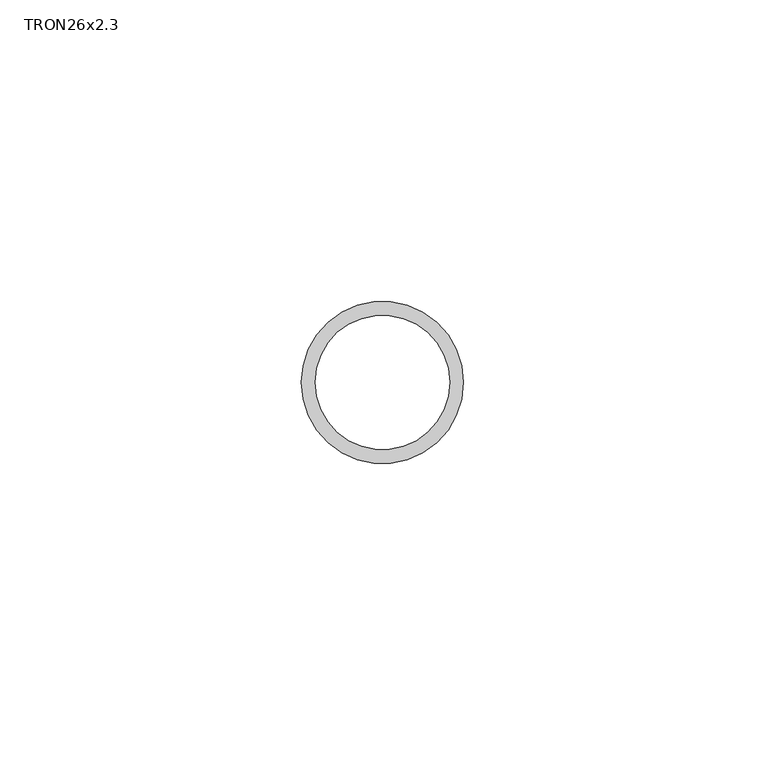
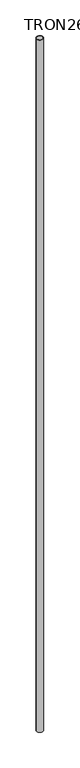
"""IFC4 building model written with IfcOpenShell, lengths in millimetres: column geometry, TRON26x2.3."""

import ifcopenshell
import ifcopenshell.guid

model = None  # the IFC model being written
_history = None  # IfcOwnerHistory: only IFC2X3 demands one
_inside = {}  # id of a spatial element -> (the spatial element, [elements in it])
_under = {}  # id of a project, library or spatial element -> (it, [spatial elements below it])
_declared = {}  # id of a project -> (the project, [libraries it declares])
_typed = {}  # id of a type object -> (the type object, [elements of that type])
_made_of = {}  # id of a material, layer set ... -> (it, [elements and type objects made of it])


def new_model(schema):
    """Start an empty IFC model of exactly this schema.

    Asked for "IFC4X3", IfcOpenShell would pick the latest addendum, in which some entities
    have other attributes; the version numbers below select the first issue.
    IFC2X3 requires an IfcOwnerHistory on every rooted entity: one is made here for all.
    """
    global model, _history
    if schema == "IFC4X3":
        model = ifcopenshell.file(schema_version=(4, 3, 0, 0))
    else:
        model = ifcopenshell.file(schema=schema)
    _inside.clear()
    _under.clear()
    _declared.clear()
    _typed.clear()
    _made_of.clear()
    _history = None
    if model.schema == "IFC2X3":
        org = make("IfcOrganization", Name="unknown")
        user = make(
            "IfcPersonAndOrganization",
            ThePerson=make("IfcPerson", FamilyName="unknown"),
            TheOrganization=org,
        )
        app = make(
            "IfcApplication",
            ApplicationDeveloper=org,
            Version="unknown",
            ApplicationFullName="unknown",
            ApplicationIdentifier="unknown",
        )
        _history = make(
            "IfcOwnerHistory",
            OwningUser=user,
            OwningApplication=app,
            ChangeAction="ADDED",
            CreationDate=0,
        )
    return model


def make(cls, **values):
    """One entity of the class cls with the attributes given. An attribute that is None is left unset."""
    return model.create_entity(
        cls, **{name: value for name, value in values.items() if value is not None}
    )


def rooted(cls, **values):
    """An entity with a GlobalId (a new one), such as an element, a storey or a relation."""
    return make(cls, GlobalId=ifcopenshell.guid.new(), OwnerHistory=_history, **values)


def si_unit(unit_type, name, prefix=None):
    """IfcSIUnit, for example si_unit("LENGTHUNIT", "METRE", prefix="MILLI")."""
    return make("IfcSIUnit", UnitType=unit_type, Prefix=prefix, Name=name)


def assignment(units):
    """IfcUnitAssignment: the units of a project."""
    return None if units is None else make("IfcUnitAssignment", Units=units)


def point(xyz):
    """IfcCartesianPoint."""
    return None if xyz is None else make("IfcCartesianPoint", Coordinates=xyz)


def direction(xyz):
    """IfcDirection."""
    return None if xyz is None else make("IfcDirection", DirectionRatios=xyz)


def frame(location, z_axis=None, x_axis=None):
    """IfcAxis2Placement3D, a coordinate frame: its origin and axes. An axis left out is left unset."""
    return make(
        "IfcAxis2Placement3D",
        Location=point(location),
        Axis=direction(z_axis),
        RefDirection=direction(x_axis),
    )


def frame_2d(location, x_axis=None):
    """IfcAxis2Placement2D, a coordinate frame in the plane: its origin and x axis."""
    return make(
        "IfcAxis2Placement2D", Location=point(location), RefDirection=direction(x_axis)
    )


def origin():
    """The frame at (0, 0, 0) with its axes left unset."""
    return frame((0.0, 0.0, 0.0))


def origin_with_axes():
    """The frame at (0, 0, 0) with the z axis (0, 0, 1) and the x axis (1, 0, 0) written out."""
    return frame((0.0, 0.0, 0.0), z_axis=(0.0, 0.0, 1.0), x_axis=(1.0, 0.0, 0.0))


def origin_2d():
    """The frame at (0, 0) in the plane with its x axis left unset."""
    return frame_2d((0.0, 0.0))


def place(relative_to, where):
    """IfcLocalPlacement: puts the frame where relative to a parent placement (None: the world)."""
    return make(
        "IfcLocalPlacement", PlacementRelTo=relative_to, RelativePlacement=where
    )


def context(
    kind, dimensions, precision=None, world=None, true_north=None, identifier=None
):
    """IfcGeometricRepresentationContext, for example the 3D "Model" context."""
    return make(
        "IfcGeometricRepresentationContext",
        ContextIdentifier=identifier,
        ContextType=kind,
        CoordinateSpaceDimension=dimensions,
        Precision=precision,
        WorldCoordinateSystem=world,
        TrueNorth=true_north,
    )


def project(units=None, contexts=None):
    """IfcProject with its units and contexts."""
    return rooted(
        "IfcProject",
        Name="project",
        RepresentationContexts=contexts,
        UnitsInContext=assignment(units),
    )


def spatial(cls, under=None, at=None, **own):
    """A site, building, storey or space (cls), placed at a placement, below another one or the project."""
    s = rooted(cls, ObjectPlacement=at, **own)
    if under is not None:
        _under.setdefault(under.id(), (under, []))[1].append(s)
    return s


def circle_curve(where, radius):
    """IfcCircle in the frame where."""
    return make("IfcCircle", Position=where, Radius=radius)


def trimmed(basis, trim1, trim2, sense, master):
    """IfcTrimmedCurve: the piece of a basis curve between two trims."""
    return make(
        "IfcTrimmedCurve",
        BasisCurve=basis,
        Trim1=trim1,
        Trim2=trim2,
        SenseAgreement=sense,
        MasterRepresentation=master,
    )


def segment(curve, same_sense, transition):
    """IfcCompositeCurveSegment."""
    return make(
        "IfcCompositeCurveSegment",
        Transition=transition,
        SameSense=same_sense,
        ParentCurve=curve,
    )


def composite_curve(segments, self_intersect=None):
    """IfcCompositeCurve: segments joined end to end."""
    return make("IfcCompositeCurve", Segments=segments, SelfIntersect=self_intersect)


def outline(outer, holes=None, kind="AREA"):
    """IfcArbitraryClosedProfileDef: a profile drawn as a closed curve; with holes, ...WithVoids."""
    if holes is None:
        return make("IfcArbitraryClosedProfileDef", ProfileType=kind, OuterCurve=outer)
    return make(
        "IfcArbitraryProfileDefWithVoids",
        ProfileType=kind,
        OuterCurve=outer,
        InnerCurves=holes,
    )


def extrude(swept, where, along, depth):
    """IfcExtrudedAreaSolid: the profile swept, set in the frame where, extruded along a direction by depth."""
    return make(
        "IfcExtrudedAreaSolid",
        SweptArea=swept,
        Position=where,
        ExtrudedDirection=direction(along),
        Depth=depth,
    )


def shape(context_of_items, identifier, shape_type, items):
    """IfcShapeRepresentation: the items that make up one representation, for example the "Body"."""
    return make(
        "IfcShapeRepresentation",
        ContextOfItems=context_of_items,
        RepresentationIdentifier=identifier,
        RepresentationType=shape_type,
        Items=items,
    )


def source(mapping_origin, context_of_items, identifier, shape_type, items):
    """IfcRepresentationMap: a shape defined once, which mapped items show again and again."""
    return make(
        "IfcRepresentationMap",
        MappingOrigin=mapping_origin,
        MappedRepresentation=shape(context_of_items, identifier, shape_type, items),
    )


def transform(
    local_origin,
    x_axis=None,
    y_axis=None,
    z_axis=None,
    scale=None,
    scale2=None,
    scale3=None,
    uniform=True,
):
    """IfcCartesianTransformationOperator3D, or its non-uniform kind. x_axis, y_axis, z_axis: its Axis1, 2, 3."""
    if uniform:
        return make(
            "IfcCartesianTransformationOperator3D",
            Axis1=direction(x_axis),
            Axis2=direction(y_axis),
            LocalOrigin=point(local_origin),
            Scale=scale,
            Axis3=direction(z_axis),
        )
    return make(
        "IfcCartesianTransformationOperator3DnonUniform",
        Axis1=direction(x_axis),
        Axis2=direction(y_axis),
        LocalOrigin=point(local_origin),
        Scale=scale,
        Axis3=direction(z_axis),
        Scale2=scale2,
        Scale3=scale3,
    )


def mapped(mapping_source, mapping_target):
    """IfcMappedItem: shows the shape of a source again, moved by a transform."""
    return make(
        "IfcMappedItem", MappingSource=mapping_source, MappingTarget=mapping_target
    )


def made_of(thing, what):
    """Note that an element or type object is made of a material, layer set ...; save() writes the relation."""
    if what is not None:
        _made_of.setdefault(what.id(), (what, []))[1].append(thing)
    return thing


def element(
    cls,
    number,
    at=None,
    inside=None,
    cuts=None,
    type_object=None,
    material=None,
    context=None,
    identifier="Body",
    shape_type=None,
    held_by="IfcProductDefinitionShape",
    body=None,
    shapes=None,
    **own,
):
    """One element of the class cls, such as IfcWall. Its Tag is "e" and its number.

    at: its placement. inside: the storey or other place that contains it. cuts: it is an
    opening in that element (IfcRelVoidsElement). A single representation is given by context,
    identifier, shape_type and body (its items); several are given by shapes. held_by: the class
    of the entity that holds the representations. save() writes the other relations.
    """
    e = rooted(cls, Tag="e%d" % number, ObjectPlacement=at, **own)
    if body is not None:
        shapes = [shape(context, identifier, shape_type, body)]
    if shapes is not None:
        e.Representation = make(held_by, Representations=shapes)
    if inside is not None:
        _inside.setdefault(inside.id(), (inside, []))[1].append(e)
    if cuts is not None:
        rooted(
            "IfcRelVoidsElement", RelatingBuildingElement=cuts, RelatedOpeningElement=e
        )
    if type_object is not None:
        _typed.setdefault(type_object.id(), (type_object, []))[1].append(e)
    return made_of(e, material)


def aggregate(whole, parts):
    """IfcRelAggregates: a whole, such as a stair, and the parts it consists of."""
    return rooted("IfcRelAggregates", RelatingObject=whole, RelatedObjects=parts)


def save(model, path):
    """Write the relations noted so far, then the file.

    IfcRelAggregates (storeys below a building ...), IfcRelContainedInSpatialStructure (elements
    in a storey), IfcRelDefinesByType, IfcRelAssociatesMaterial and IfcRelDeclares: one each for
    every whole, place, type object, material and project.
    """
    for whole, parts in _under.values():
        aggregate(whole, parts)
    for where, things in _inside.values():
        rooted(
            "IfcRelContainedInSpatialStructure",
            RelatedElements=things,
            RelatingStructure=where,
        )
    for kind, things in _typed.values():
        rooted("IfcRelDefinesByType", RelatedObjects=things, RelatingType=kind)
    for what, things in _made_of.values():
        rooted("IfcRelAssociatesMaterial", RelatedObjects=things, RelatingMaterial=what)
    for by, libraries in _declared.values():
        rooted("IfcRelDeclares", RelatingContext=by, RelatedDefinitions=libraries)
    model.write(path)


def tron26x2_3_b38e25b9(model_context):
    return source(origin(), model_context, "Body", "SweptSolid", [
        extrude(outline(composite_curve([segment(trimmed(circle_curve(origin_2d(), 13.45), [point((-13.45, 0.0))], [point((13.45, 0.0))], False, "CARTESIAN"), True, "CONTINUOUS"), segment(trimmed(circle_curve(origin_2d(), 13.45), [point((13.45, 0.0))], [point((-13.45, 0.0))], False, "CARTESIAN"), True, "CONTINUOUS")], self_intersect=False), holes=[composite_curve([segment(trimmed(circle_curve(origin_2d(), 11.15), [point((-11.15, 0.0))], [point((11.15, 0.0))], True, "CARTESIAN"), True, "CONTINUOUS"), segment(trimmed(circle_curve(origin_2d(), 11.15), [point((11.15, 0.0))], [point((-11.15, 0.0))], True, "CARTESIAN"), True, "CONTINUOUS")], self_intersect=False)]), origin_with_axes(), (0.0, 0.0, 1.0), 3000.0),
    ])


if __name__ == "__main__":
    model = new_model("IFC4")
    model_context = context("Model", 3, world=origin())
    ifc_project = project(units=[si_unit("LENGTHUNIT", "METRE", prefix="MILLI")], contexts=[model_context])
    site = spatial("IfcSite", under=ifc_project)
    building = spatial("IfcBuilding", under=site)
    placement = place(None, origin())
    tron26x2_3_shape = tron26x2_3_b38e25b9(model_context)
    element("IfcColumn", 1, ObjectType="TRON26x2.3", at=placement, inside=building, context=model_context, shape_type="MappedRepresentation", body=[
        mapped(tron26x2_3_shape, transform((0.0, 0.0, 0.0), x_axis=(1.0, 0.0, 0.0), y_axis=(0.0, 1.0, 0.0), z_axis=(0.0, 0.0, 1.0))),
    ])
    save(model, "model.ifc")
